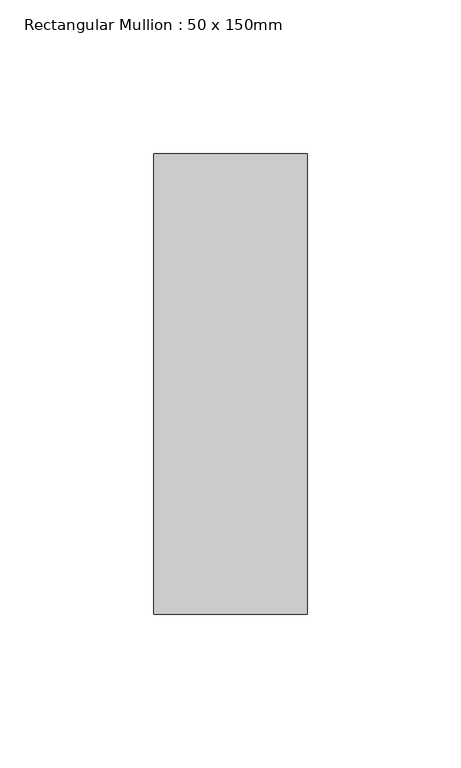
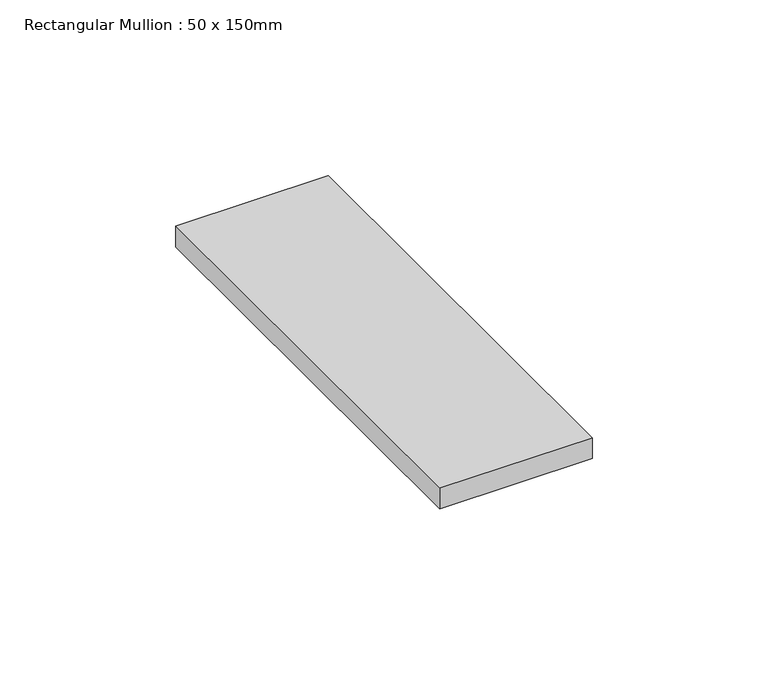
"""IFC4 building model written with IfcOpenShell, lengths in millimetres: member geometry, Rectangular Mullion : 50 x 150mm."""

from ifc_helpers import new_model, si_unit, frame, origin, place, context, project, spatial, polyline, outline, extrude, source, transform, mapped, element, save


def rectangular_mullion_50_x_150mm_ad99fae1(model_context):
    return source(origin(), model_context, "Body", "SweptSolid", [
        extrude(outline(polyline([(0.0, 75.0), (0.0, -75.0), (-50.0, -75.0), (-50.0, 75.0), (0.0, 75.0)])), frame((0.0, 0.0, -7.1955488), z_axis=(0.0, 0.0, 1.0), x_axis=(1.0, 0.0, 0.0)), (0.0, 0.0, 1.0), 7.1955488),
    ])


if __name__ == "__main__":
    model = new_model("IFC4")
    model_context = context("Model", 3, world=origin())
    ifc_project = project(units=[si_unit("LENGTHUNIT", "METRE", prefix="MILLI")], contexts=[model_context])
    site = spatial("IfcSite", under=ifc_project)
    building = spatial("IfcBuilding", under=site)
    placement = place(None, origin())
    rectangular_mullion_50_x_150mm_shape = rectangular_mullion_50_x_150mm_ad99fae1(model_context)
    element("IfcMember", 1, ObjectType="Rectangular Mullion : 50 x 150mm", at=placement, inside=building, context=model_context, shape_type="MappedRepresentation", body=[
        mapped(rectangular_mullion_50_x_150mm_shape, transform((0.0, 0.0, 0.0), x_axis=(1.0, 0.0, 0.0), y_axis=(0.0, 1.0, 0.0), z_axis=(0.0, 0.0, 1.0))),
    ])
    save(model, "model.ifc")
